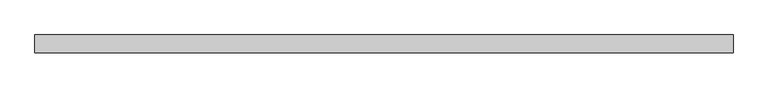
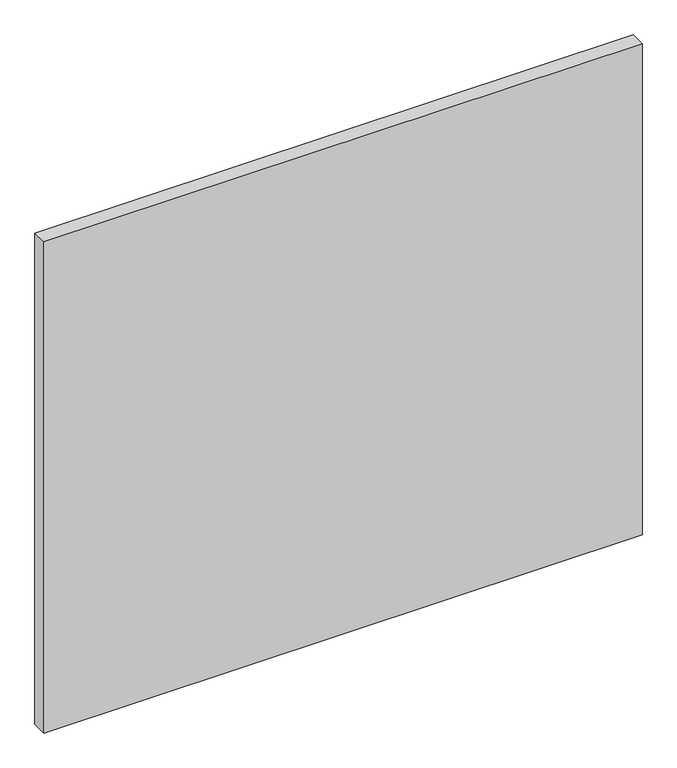
"""IFC4 building model written with IfcOpenShell, lengths in millimetres: plate geometry."""

from ifc_helpers import new_model, si_unit, origin, origin_with_axes, place, context, project, spatial, polyline, outline, extrude, source, transform, mapped, element, save


def plate_a2899969(model_context):
    return source(origin(), model_context, "Body", "SweptSolid", [
        extrude(outline(polyline([(685.0625, -17.5), (-685.0625, -17.5), (-685.0625, 17.5), (685.0625, 17.5), (685.0625, -17.5)])), origin_with_axes(), (0.0, 0.0, 1.0), 1189.4791667),
    ])


if __name__ == "__main__":
    model = new_model("IFC4")
    model_context = context("Model", 3, world=origin())
    ifc_project = project(units=[si_unit("LENGTHUNIT", "METRE", prefix="MILLI")], contexts=[model_context])
    site = spatial("IfcSite", under=ifc_project)
    building = spatial("IfcBuilding", under=site)
    placement = place(None, origin())
    plate_shape = plate_a2899969(model_context)
    element("IfcPlate", 1, at=placement, inside=building, context=model_context, shape_type="MappedRepresentation", body=[
        mapped(plate_shape, transform((0.0, 0.0, 0.0), x_axis=(1.0, 0.0, 0.0), y_axis=(0.0, 1.0, 0.0), z_axis=(0.0, 0.0, 1.0))),
    ])
    save(model, "model.ifc")
